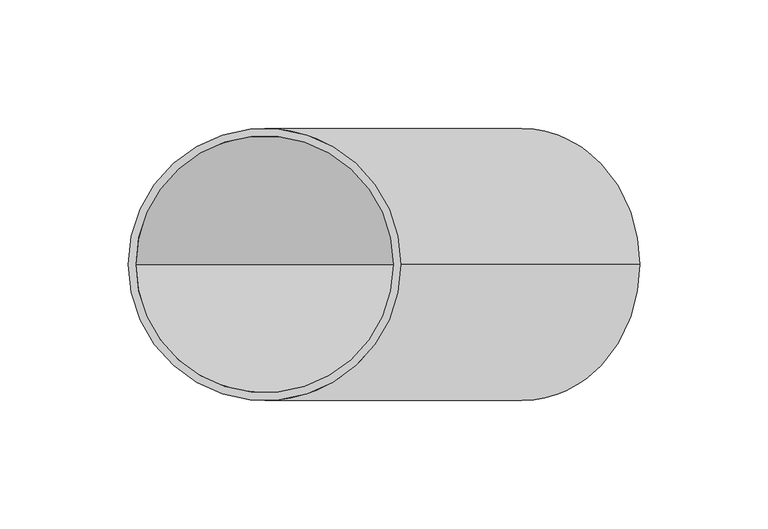
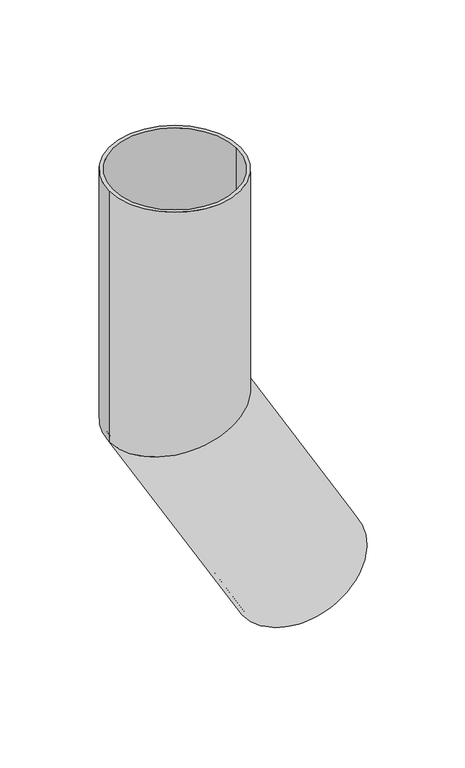
"""IFC4 building model written with IfcOpenShell, lengths in millimetres: beam geometry."""

from ifc_helpers import new_model, si_unit, frame, origin, place, context, project, spatial, polyline, circle_curve, ellipse_curve, source, transform, mapped, element, save
from ifc_brep_helpers import plane_surface, cylinder_surface, revolved_surface, advanced_brep


def beam_9be1c9f6(model_context):
    return source(origin(), model_context, "Body", "AdvancedBrep", [
        advanced_brep(
        [(145.8993464, 0.0, -346.7050808), (54.1006536, 0.0, -399.7050808), (143.3012702, 0.0, -348.2050808), (56.6987298, 0.0, -398.2050808), (53.0, 0.0, 0.0), (-53.0, 0.0, 0.0), (50.0, 0.0, 0.0), (-50.0, 0.0, 0.0), (50.0, 0.0, -186.6025404), (0.0, -50.0, -200.0), (-50.0, 0.0, -213.3974596), (0.0, 50.0, -200.0), (53.0, 0.0, -185.7986928), (-53.0, 0.0, -214.2013072)],
        [
            (0, 1, circle_curve(frame((100.0, 0.0, -373.2050808), z_axis=(0.5000000000000633, 0.0, -0.8660254037844022), x_axis=(-0.8660254037844022, 0.0, -0.5000000000000633)), 53.0)),
            (1, 0, circle_curve(frame((100.0, 0.0, -373.2050808), z_axis=(0.5000000000000633, 0.0, -0.8660254037844022), x_axis=(-0.8660254037844022, 0.0, -0.5000000000000633)), 53.0)),
            (2, 3, circle_curve(frame((100.0, 0.0, -373.2050808), z_axis=(-0.5000000000000633, 0.0, 0.8660254037844022), x_axis=(-0.8660254037844022, 0.0, -0.5000000000000633)), 50.0)),
            (3, 2, circle_curve(frame((100.0, 0.0, -373.2050808), z_axis=(-0.5000000000000633, 0.0, 0.8660254037844022), x_axis=(-0.8660254037844022, 0.0, -0.5000000000000633)), 50.0)),
            (4, 5, circle_curve(frame((0.0, 0.0, 0.0), z_axis=(0.0, 0.0, 1.0), x_axis=(-1.0, 0.0, 0.0)), 53.0)),
            (5, 4, circle_curve(frame((0.0, 0.0, 0.0), z_axis=(0.0, 0.0, 1.0), x_axis=(-1.0, 0.0, 0.0)), 53.0)),
            (6, 7, circle_curve(frame((0.0, 0.0, 0.0), z_axis=(0.0, 0.0, -1.0), x_axis=(-1.0, 0.0, 0.0)), 50.0)),
            (7, 6, circle_curve(frame((0.0, 0.0, 0.0), z_axis=(0.0, 0.0, -1.0), x_axis=(-1.0, 0.0, 0.0)), 50.0)),
            (6, 8),
            (8, 9, ellipse_curve(frame((0.0, 0.0, -200.0), z_axis=(0.25881904510255604, 0.0, -0.9659258262890589), x_axis=(0.9659258262890589, 0.0, 0.25881904510255593)), 51.763809, 50.0)),
            (9, 10, ellipse_curve(frame((0.0, 0.0, -200.0), z_axis=(0.25881904510255604, 0.0, -0.9659258262890589), x_axis=(0.9659258262890589, 0.0, 0.25881904510255593)), 51.763809, 50.0)),
            (10, 7),
            (10, 11, ellipse_curve(frame((0.0, 0.0, -200.0), z_axis=(0.25881904510255604, 0.0, -0.9659258262890589), x_axis=(0.9659258262890589, 0.0, 0.25881904510255593)), 51.763809, 50.0)),
            (11, 8, ellipse_curve(frame((0.0, 0.0, -200.0), z_axis=(0.25881904510255604, 0.0, -0.9659258262890589), x_axis=(0.9659258262890589, 0.0, 0.25881904510255593)), 51.763809, 50.0)),
            (4, 12),
            (12, 13, ellipse_curve(frame((0.0, 0.0, -200.0), z_axis=(-0.25881904510255604, 0.0, 0.9659258262890589), x_axis=(-0.9659258262890589, 0.0, -0.25881904510255593)), 54.8696376, 53.0)),
            (13, 5),
            (13, 12, ellipse_curve(frame((0.0, 0.0, -200.0), z_axis=(-0.25881904510255604, 0.0, 0.9659258262890589), x_axis=(-0.9659258262890589, 0.0, -0.25881904510255593)), 54.8696376, 53.0)),
            (2, 8),
            (10, 3),
            (0, 12),
            (13, 1),
        ],
        [
            plane_surface(frame((100.0, 0.0, -373.2050808), z_axis=(0.5000000000000633, 0.0, -0.8660254037844022), x_axis=(0.0, -1.0, 0.0))),
            plane_surface(frame((0.0, 0.0, 0.0), z_axis=(0.0, 0.0, 1.0), x_axis=(0.0, -1.0, 0.0))),
            revolved_surface(polyline([(-50.0, 0.0, 0.0), (-50.0, 0.0, -213.3974596162511)]), (0.0, 0.0, -200.0), (0.0, 0.0, 1.0)),
            cylinder_surface(frame((0.0, 0.0, -200.0), z_axis=(0.0, 0.0, -1.0), x_axis=(-1.0, 0.0, 0.0)), 53.0),
            revolved_surface(polyline([(-50.00000002801577, 0.0, -213.39745961617487), (56.698729813476234, 0.0, -398.2050808046734)]), (100.0, 0.0, -373.2050808), (-0.5000000000000633, 0.0, 0.8660254037844022)),
            cylinder_surface(frame((100.0, 0.0, -373.2050808), z_axis=(0.5000000000000633, 0.0, -0.8660254037844022), x_axis=(-0.8660254037844022, 0.0, -0.5000000000000633)), 53.0),
        ],
        [
            (0, [[1, 2], [3, 4]]),
            (1, [[5, 6], [7, 8]]),
            (2, [[-7, 9, 10, 11, 12]]),
            (2, [[-8, -12, 13, 14, -9]]),
            (3, [[-5, 15, 16, 17]]),
            (3, [[-6, -17, 18, -15]]),
            (4, [[-3, 19, -14, -13, 20]]),
            (4, [[-4, -20, -11, -10, -19]]),
            (5, [[-1, 21, -18, 22]]),
            (5, [[-2, -22, -16, -21]]),
        ],
    ),
    ])


if __name__ == "__main__":
    model = new_model("IFC4")
    model_context = context("Model", 3, world=origin())
    ifc_project = project(units=[si_unit("LENGTHUNIT", "METRE", prefix="MILLI")], contexts=[model_context])
    site = spatial("IfcSite", under=ifc_project)
    building = spatial("IfcBuilding", under=site)
    placement = place(None, origin())
    beam_shape = beam_9be1c9f6(model_context)
    element("IfcBeam", 1, at=placement, inside=building, context=model_context, shape_type="MappedRepresentation", body=[
        mapped(beam_shape, transform((0.0, 0.0, 0.0), x_axis=(1.0, 0.0, 0.0), y_axis=(0.0, 1.0, 0.0), z_axis=(0.0, 0.0, 1.0))),
    ])
    save(model, "model.ifc")
